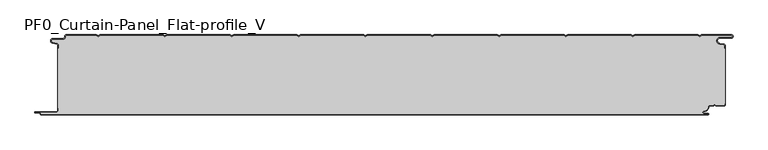
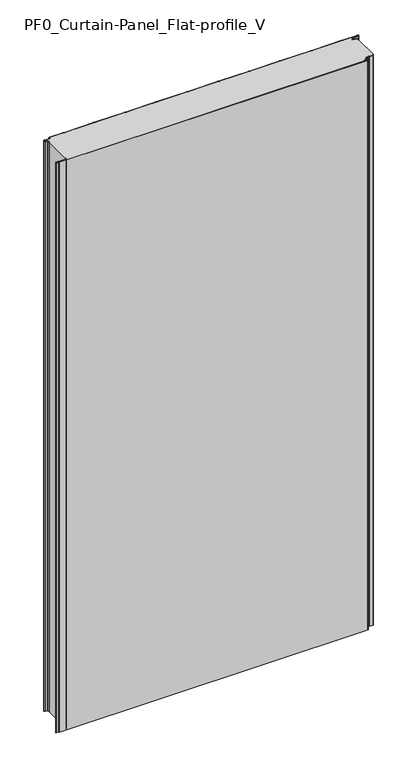
"""IFC4 building model written with IfcOpenShell, lengths in millimetres: plate geometry, PF0_Curtain-Panel_Flat-profile_V."""

from ifc_helpers import new_model, si_unit, point, frame, frame_2d, origin, origin_with_axes, place, context, project, spatial, polyline, circle_curve, trimmed, segment, composite_curve, outline, extrude, source, transform, mapped, element, save
from ifc_brep_helpers import plane_surface, cylinder_surface, revolved_surface, advanced_brep


def pf0_curtain_panel_flat_profile_v_fce7db05(model_context):
    return source(origin(), model_context, "Body", "SolidModel", [
        advanced_brep(
        [(-500.0, -15.878557, 1945.7507136), (-500.0, -20.0, 1945.7507136), (-499.2, -20.0, 1945.7507136), (-499.2, -15.878557, 1945.7507136), (-501.370137, -13.1503208, 1945.7507136), (-507.529863, -11.728236, 1945.7507136), (-506.9, -6.2, 1945.7507136), (-491.4, -6.2, 1945.7507136), (-488.6, -3.4, 1945.7507136), (-488.6, -2.0, 1945.7507136), (-487.4, -0.8, 1945.7507136), (-442.3143588, -0.8, 1945.7507136), (-439.4, -2.482606, 1945.7507136), (-436.4856412, -0.8, 1945.7507136), (-342.3143588, -0.8, 1945.7507136), (-339.4, -2.482606, 1945.7507136), (-336.4856412, -0.8, 1945.7507136), (-242.3143588, -0.8, 1945.7507136), (-239.4, -2.482606, 1945.7507136), (-236.4856412, -0.8, 1945.7507136), (-142.3143588, -0.8, 1945.7507136), (-139.4, -2.482606, 1945.7507136), (-136.4856412, -0.8, 1945.7507136), (-42.3143588, -0.8, 1945.7507136), (-39.4, -2.482606, 1945.7507136), (-36.4856412, -0.8, 1945.7507136), (57.6856412, -0.8, 1945.7507136), (60.6, -2.482606, 1945.7507136), (63.5143588, -0.8, 1945.7507136), (157.6856412, -0.8, 1945.7507136), (160.6, -2.482606, 1945.7507136), (163.5143588, -0.8, 1945.7507136), (257.6856412, -0.8, 1945.7507136), (260.6, -2.482606, 1945.7507136), (263.5143588, -0.8, 1945.7507136), (357.6856412, -0.8, 1945.7507136), (360.6, -2.482606, 1945.7507136), (363.5143588, -0.8, 1945.7507136), (457.6856412, -0.8, 1945.7507136), (460.6, -2.482606, 1945.7507136), (463.5143588, -0.8, 1945.7507136), (508.1, -0.8, 1945.7507136), (508.1, -4.2, 1945.7507136), (491.1, -4.2, 1945.7507136), (490.2664884, -13.7270771, 1945.7507136), (496.7125669, -14.8636953, 1945.7507136), (498.2, -16.6363492, 1945.7507136), (498.2, -20.0, 1945.7507136), (499.0, -20.0, 1945.7507136), (499.0, -16.6363492, 1945.7507136), (496.8514855, -14.0758491, 1945.7507136), (490.405407, -12.939231, 1945.7507136), (491.1, -5.0, 1945.7507136), (508.1, -5.0, 1945.7507136), (510.6, -2.5, 1945.7507136), (508.1, 0.0, 1945.7507136), (463.2999995, 0.0, 1945.7507136), (460.6, -1.5588455, 1945.7507136), (457.9000005, 0.0, 1945.7507136), (363.2999995, 0.0, 1945.7507136), (360.6, -1.5588455, 1945.7507136), (357.9000005, 0.0, 1945.7507136), (263.2999995, 0.0, 1945.7507136), (260.6, -1.5588455, 1945.7507136), (257.9000005, 0.0, 1945.7507136), (163.2999995, 0.0, 1945.7507136), (160.6, -1.5588455, 1945.7507136), (157.9000005, 0.0, 1945.7507136), (63.2999995, 0.0, 1945.7507136), (60.6, -1.5588455, 1945.7507136), (57.9000005, 0.0, 1945.7507136), (-36.7000005, 0.0, 1945.7507136), (-39.4, -1.5588455, 1945.7507136), (-42.0999995, 0.0, 1945.7507136), (-136.7000005, 0.0, 1945.7507136), (-139.4, -1.5588455, 1945.7507136), (-142.0999995, 0.0, 1945.7507136), (-236.7000005, 0.0, 1945.7507136), (-239.4, -1.5588455, 1945.7507136), (-242.0999995, 0.0, 1945.7507136), (-336.7000005, 0.0, 1945.7507136), (-339.4, -1.5588455, 1945.7507136), (-342.0999995, 0.0, 1945.7507136), (-436.7000005, 0.0, 1945.7507136), (-439.4, -1.5588455, 1945.7507136), (-442.0999995, 0.0, 1945.7507136), (-487.4, 0.0, 1945.7507136), (-489.4, -2.0, 1945.7507136), (-489.4, -3.4, 1945.7507136), (-491.4, -5.4, 1945.7507136), (-506.9, -5.4, 1945.7507136), (-507.7098239, -12.5077322, 1945.7507136), (-501.5500979, -13.929817, 1945.7507136), (-500.0, -15.878557, 0.0), (-501.5500978, -13.9298169, 0.0), (-507.7098239, -12.507732, 0.0), (-506.9, -5.4, 0.0), (-491.4, -5.4, 0.0), (-489.4, -3.4, 0.0), (-489.4, -2.0, 0.0), (-487.4, 0.0, 0.0), (-442.0999995, 0.0, 0.0), (-439.4, -1.5588455, 0.0), (-436.7000005, 0.0, 0.0), (-342.0999995, 0.0, 0.0), (-339.4, -1.5588455, 0.0), (-336.7000005, 0.0, 0.0), (-242.0999995, 0.0, 0.0), (-239.4, -1.5588455, 0.0), (-236.7000005, 0.0, 0.0), (-142.0999995, 0.0, 0.0), (-139.4, -1.5588455, 0.0), (-136.7000005, 0.0, 0.0), (-42.0999995, 0.0, 0.0), (-39.4, -1.5588455, 0.0), (-36.7000005, 0.0, 0.0), (57.9000005, 0.0, 0.0), (60.6, -1.5588455, 0.0), (63.2999995, 0.0, 0.0), (157.9000005, 0.0, 0.0), (160.6, -1.5588455, 0.0), (163.2999995, 0.0, 0.0), (257.9000005, 0.0, 0.0), (260.6, -1.5588455, 0.0), (263.2999995, 0.0, 0.0), (357.9000005, 0.0, 0.0), (360.6, -1.5588455, 0.0), (363.2999995, 0.0, 0.0), (457.9000005, 0.0, 0.0), (460.6, -1.5588455, 0.0), (463.2999995, 0.0, 0.0), (508.1, 0.0, 0.0), (510.6, -2.5, 0.0), (508.1, -5.0, 0.0), (491.1, -5.0, 0.0), (490.405407, -12.939231, 0.0), (496.8514855, -14.0758491, 0.0), (499.0, -16.6363492, 0.0), (499.0, -20.0, 0.0), (498.2, -20.0, 0.0), (498.2, -16.6363492, 0.0), (496.7125669, -14.8636953, 0.0), (490.2664884, -13.7270772, 0.0), (491.1, -4.2, 0.0), (508.1, -4.2, 0.0), (508.1, -0.8, 0.0), (463.5143588, -0.8, 0.0), (460.6, -2.482606, 0.0), (457.6856412, -0.8, 0.0), (363.5143588, -0.8, 0.0), (360.6, -2.482606, 0.0), (357.6856412, -0.8, 0.0), (263.5143588, -0.8, 0.0), (260.6, -2.482606, 0.0), (257.6856412, -0.8, 0.0), (163.5143588, -0.8, 0.0), (160.6, -2.482606, 0.0), (157.6856412, -0.8, 0.0), (63.5143588, -0.8, 0.0), (60.6, -2.482606, 0.0), (57.6856412, -0.8, 0.0), (-36.4856412, -0.8, 0.0), (-39.4, -2.482606, 0.0), (-42.3143588, -0.8, 0.0), (-136.4856412, -0.8, 0.0), (-139.4, -2.482606, 0.0), (-142.3143588, -0.8, 0.0), (-236.4856412, -0.8, 0.0), (-239.4, -2.482606, 0.0), (-242.3143588, -0.8, 0.0), (-336.4856412, -0.8, 0.0), (-339.4, -2.482606, 0.0), (-342.3143588, -0.8, 0.0), (-436.4856412, -0.8, 0.0), (-439.4, -2.482606, 0.0), (-442.3143588, -0.8, 0.0), (-487.4, -0.8, 0.0), (-488.6, -2.0, 0.0), (-488.6, -3.4, 0.0), (-491.4, -6.2, 0.0), (-506.9, -6.2, 0.0), (-507.529863, -11.7282362, 0.0), (-501.370137, -13.150321, 0.0), (-499.2, -15.878557, 0.0), (-499.2, -20.0, 0.0), (-500.0, -20.0, 0.0)],
        [
            (0, 1),
            (1, 2),
            (2, 3),
            (3, 4, circle_curve(frame((-502.0, -15.878557, 1945.7507136), z_axis=(0.0, 0.0, 1.0), x_axis=(1.0, 0.0, 0.0)), 2.8)),
            (4, 5),
            (5, 6, circle_curve(frame((-506.9, -9.0, 1945.7507136), z_axis=(0.0, 0.0, -1.0), x_axis=(1.0, 0.0, 0.0)), 2.8)),
            (6, 7),
            (7, 8, circle_curve(frame((-491.4, -3.4, 1945.7507136), z_axis=(0.0, 0.0, 1.0), x_axis=(1.0, 0.0, 0.0)), 2.8)),
            (8, 9),
            (9, 10, circle_curve(frame((-487.4, -2.0, 1945.7507136), z_axis=(0.0, 0.0, -1.0), x_axis=(1.0, 0.0, 0.0)), 1.2)),
            (10, 11),
            (11, 12),
            (12, 13),
            (13, 14),
            (14, 15),
            (15, 16),
            (16, 17),
            (17, 18),
            (18, 19),
            (19, 20),
            (20, 21),
            (21, 22),
            (22, 23),
            (23, 24),
            (24, 25),
            (25, 26),
            (26, 27),
            (27, 28),
            (28, 29),
            (29, 30),
            (30, 31),
            (31, 32),
            (32, 33),
            (33, 34),
            (34, 35),
            (35, 36),
            (36, 37),
            (37, 38),
            (38, 39),
            (39, 40),
            (40, 41),
            (41, 42, circle_curve(frame((508.1, -2.5, 1945.7507136), z_axis=(0.0, 0.0, -1.0), x_axis=(1.0, 0.0, 0.0)), 1.7)),
            (42, 43),
            (43, 44, circle_curve(frame((491.1, -9.0, 1945.7507136), z_axis=(0.0, 0.0, 1.0), x_axis=(1.0, 0.0, 0.0)), 4.8)),
            (44, 45),
            (45, 46, circle_curve(frame((496.4, -16.6363492, 1945.7507136), z_axis=(0.0, 0.0, -1.0), x_axis=(1.0, 0.0, 0.0)), 1.8)),
            (46, 47),
            (47, 48),
            (48, 49),
            (49, 50, circle_curve(frame((496.4, -16.6363492, 1945.7507136), z_axis=(0.0, 0.0, 1.0), x_axis=(1.0, 0.0, 0.0)), 2.6)),
            (50, 51),
            (51, 52, circle_curve(frame((491.1, -9.0, 1945.7507136), z_axis=(0.0, 0.0, -1.0), x_axis=(1.0, 0.0, 0.0)), 4.0)),
            (52, 53),
            (53, 54, circle_curve(frame((508.1, -2.5, 1945.7507136), z_axis=(0.0, 0.0, 1.0), x_axis=(1.0, 0.0, 0.0)), 2.5)),
            (54, 55, circle_curve(frame((508.1, -2.5, 1945.7507136), z_axis=(0.0, 0.0, 1.0), x_axis=(1.0, 0.0, 0.0)), 2.5)),
            (55, 56),
            (56, 57),
            (57, 58),
            (58, 59),
            (59, 60),
            (60, 61),
            (61, 62),
            (62, 63),
            (63, 64),
            (64, 65),
            (65, 66),
            (66, 67),
            (67, 68),
            (68, 69),
            (69, 70),
            (70, 71),
            (71, 72),
            (72, 73),
            (73, 74),
            (74, 75),
            (75, 76),
            (76, 77),
            (77, 78),
            (78, 79),
            (79, 80),
            (80, 81),
            (81, 82),
            (82, 83),
            (83, 84),
            (84, 85),
            (85, 86),
            (86, 87, circle_curve(frame((-487.4, -2.0, 1945.7507136), z_axis=(0.0, 0.0, 1.0), x_axis=(1.0, 0.0, 0.0)), 2.0)),
            (87, 88),
            (88, 89, circle_curve(frame((-491.4, -3.4, 1945.7507136), z_axis=(0.0, 0.0, -1.0), x_axis=(1.0, 0.0, 0.0)), 2.0)),
            (89, 90),
            (90, 91, circle_curve(frame((-506.9, -9.0, 1945.7507136), z_axis=(0.0, 0.0, 1.0), x_axis=(1.0, 0.0, 0.0)), 3.6)),
            (91, 92),
            (92, 0, circle_curve(frame((-502.0, -15.878557, 1945.7507136), z_axis=(0.0, 0.0, -1.0), x_axis=(1.0, 0.0, 0.0)), 2.0)),
            (93, 94, circle_curve(frame((-502.0, -15.878557, 0.0), z_axis=(0.0, 0.0, 1.0), x_axis=(1.0, 0.0, 0.0)), 2.0)),
            (94, 95),
            (95, 96, circle_curve(frame((-506.9, -9.0, 0.0), z_axis=(0.0, 0.0, -1.0), x_axis=(1.0, 0.0, 0.0)), 3.6)),
            (96, 97),
            (97, 98, circle_curve(frame((-491.4, -3.4, 0.0), z_axis=(0.0, 0.0, 1.0), x_axis=(1.0, 0.0, 0.0)), 2.0)),
            (98, 99),
            (99, 100, circle_curve(frame((-487.4, -2.0, 0.0), z_axis=(0.0, 0.0, -1.0), x_axis=(1.0, 0.0, 0.0)), 2.0)),
            (100, 101),
            (101, 102),
            (102, 103),
            (103, 104),
            (104, 105),
            (105, 106),
            (106, 107),
            (107, 108),
            (108, 109),
            (109, 110),
            (110, 111),
            (111, 112),
            (112, 113),
            (113, 114),
            (114, 115),
            (115, 116),
            (116, 117),
            (117, 118),
            (118, 119),
            (119, 120),
            (120, 121),
            (121, 122),
            (122, 123),
            (123, 124),
            (124, 125),
            (125, 126),
            (126, 127),
            (127, 128),
            (128, 129),
            (129, 130),
            (130, 131),
            (131, 132, circle_curve(frame((508.1, -2.5, 0.0), z_axis=(0.0, 0.0, -1.0), x_axis=(1.0, 0.0, 0.0)), 2.5)),
            (132, 133, circle_curve(frame((508.1, -2.5, 0.0), z_axis=(0.0, 0.0, -1.0), x_axis=(1.0, 0.0, 0.0)), 2.5)),
            (133, 134),
            (134, 135, circle_curve(frame((491.1, -9.0, 0.0), z_axis=(0.0, 0.0, 1.0), x_axis=(1.0, 0.0, 0.0)), 4.0)),
            (135, 136),
            (136, 137, circle_curve(frame((496.4, -16.6363492, 0.0), z_axis=(0.0, 0.0, -1.0), x_axis=(1.0, 0.0, 0.0)), 2.6)),
            (137, 138),
            (138, 139),
            (139, 140),
            (140, 141, circle_curve(frame((496.4, -16.6363492, 0.0), z_axis=(0.0, 0.0, 1.0), x_axis=(1.0, 0.0, 0.0)), 1.8)),
            (141, 142),
            (142, 143, circle_curve(frame((491.1, -9.0, 0.0), z_axis=(0.0, 0.0, -1.0), x_axis=(1.0, 0.0, 0.0)), 4.8)),
            (143, 144),
            (144, 145, circle_curve(frame((508.1, -2.5, 0.0), z_axis=(0.0, 0.0, 1.0), x_axis=(1.0, 0.0, 0.0)), 1.7)),
            (145, 146),
            (146, 147),
            (147, 148),
            (148, 149),
            (149, 150),
            (150, 151),
            (151, 152),
            (152, 153),
            (153, 154),
            (154, 155),
            (155, 156),
            (156, 157),
            (157, 158),
            (158, 159),
            (159, 160),
            (160, 161),
            (161, 162),
            (162, 163),
            (163, 164),
            (164, 165),
            (165, 166),
            (166, 167),
            (167, 168),
            (168, 169),
            (169, 170),
            (170, 171),
            (171, 172),
            (172, 173),
            (173, 174),
            (174, 175),
            (175, 176),
            (176, 177, circle_curve(frame((-487.4, -2.0, 0.0), z_axis=(0.0, 0.0, 1.0), x_axis=(1.0, 0.0, 0.0)), 1.2)),
            (177, 178),
            (178, 179, circle_curve(frame((-491.4, -3.4, 0.0), z_axis=(0.0, 0.0, -1.0), x_axis=(1.0, 0.0, 0.0)), 2.8)),
            (179, 180),
            (180, 181, circle_curve(frame((-506.9, -9.0, 0.0), z_axis=(0.0, 0.0, 1.0), x_axis=(1.0, 0.0, 0.0)), 2.8)),
            (181, 182),
            (182, 183, circle_curve(frame((-502.0, -15.878557, 0.0), z_axis=(0.0, 0.0, -1.0), x_axis=(1.0, 0.0, 0.0)), 2.8)),
            (183, 184),
            (184, 185),
            (185, 93),
            (0, 93),
            (185, 1),
            (184, 2),
            (183, 3),
            (182, 4),
            (181, 5),
            (180, 6),
            (179, 7),
            (178, 8),
            (177, 9),
            (176, 10),
            (175, 11),
            (174, 12),
            (173, 13),
            (172, 14),
            (171, 15),
            (170, 16),
            (169, 17),
            (168, 18),
            (167, 19),
            (166, 20),
            (165, 21),
            (164, 22),
            (163, 23),
            (162, 24),
            (161, 25),
            (160, 26),
            (159, 27),
            (158, 28),
            (157, 29),
            (156, 30),
            (155, 31),
            (154, 32),
            (153, 33),
            (152, 34),
            (151, 35),
            (150, 36),
            (149, 37),
            (148, 38),
            (147, 39),
            (146, 40),
            (145, 41),
            (144, 42),
            (143, 43),
            (142, 44),
            (141, 45),
            (140, 46),
            (139, 47),
            (138, 48),
            (137, 49),
            (136, 50),
            (135, 51),
            (134, 52),
            (133, 53),
            (131, 55),
            (56, 130),
            (129, 57),
            (128, 58),
            (127, 59),
            (126, 60),
            (125, 61),
            (124, 62),
            (123, 63),
            (122, 64),
            (121, 65),
            (120, 66),
            (119, 67),
            (118, 68),
            (117, 69),
            (116, 70),
            (115, 71),
            (114, 72),
            (113, 73),
            (112, 74),
            (111, 75),
            (110, 76),
            (109, 77),
            (108, 78),
            (107, 79),
            (106, 80),
            (105, 81),
            (104, 82),
            (103, 83),
            (102, 84),
            (101, 85),
            (100, 86),
            (99, 87),
            (98, 88),
            (97, 89),
            (96, 90),
            (95, 91),
            (94, 92),
        ],
        [
            plane_surface(frame((-500.0, 0.0, 1945.7507136), z_axis=(0.0, 0.0, 1.0), x_axis=(0.0, 1.0, 0.0))),
            plane_surface(frame((-500.0, 0.0, 0.0), z_axis=(0.0, 0.0, -1.0), x_axis=(0.0, 1.0, 0.0))),
            plane_surface(frame((-500.0, -15.878557, 1945.7507136), z_axis=(-1.0, 0.0, 0.0), x_axis=(0.0, 0.0, -1.0))),
            plane_surface(frame((-500.0, -20.0, 1945.7507136), z_axis=(0.0, -1.0, 0.0), x_axis=(0.0, 0.0, -1.0))),
            plane_surface(frame((-499.2, -20.0, 1945.7507136), z_axis=(1.0, 0.0, 0.0), x_axis=(0.0, 0.0, -1.0))),
            cylinder_surface(frame((-502.0, -15.878557, 1945.7507136), z_axis=(0.0, 0.0, 1.0), x_axis=(1.0, 0.0, 0.0)), 2.8),
            plane_surface(frame((-501.370137, -13.150321, 1945.7507136), z_axis=(0.22495108446242484, 0.9743700578318174, 0.0), x_axis=(0.0, 0.0, -1.0))),
            revolved_surface(polyline([(-504.09999999999997, -9.0, 0.0), (-504.09999999999997, -9.0, 1945.7507136)]), (-506.9, -9.0, 1945.7507136), (0.0, 0.0, -1.0)),
            plane_surface(frame((-506.9, -6.2, 1945.7507136), z_axis=(0.0, -1.0, 0.0), x_axis=(0.0, 0.0, -1.0))),
            cylinder_surface(frame((-491.4, -3.4, 1945.7507136), z_axis=(0.0, 0.0, 1.0), x_axis=(1.0, 0.0, 0.0)), 2.8),
            plane_surface(frame((-488.6, -3.4, 1945.7507136), z_axis=(1.0, 0.0, 0.0), x_axis=(0.0, 0.0, -1.0))),
            revolved_surface(polyline([(-486.2, -2.0, 0.0), (-486.2, -2.0, 1945.7507136)]), (-487.4, -2.0, 1945.7507136), (0.0, 0.0, -1.0)),
            plane_surface(frame((-487.4, -0.8, 1945.7507136), z_axis=(0.0, -1.0, 0.0), x_axis=(0.0, 0.0, -1.0))),
            plane_surface(frame((-442.3143588, -0.8, 1945.7507136), z_axis=(-0.5000000299313342, -0.8660253865035741, 0.0), x_axis=(0.0, 0.0, -1.0))),
            plane_surface(frame((-439.4, -2.482606, 1945.7507136), z_axis=(0.5000000299313233, -0.8660253865035805, 0.0), x_axis=(0.0, 0.0, -1.0))),
            plane_surface(frame((-436.4856412, -0.8, 1945.7507136), z_axis=(0.0, -1.0, 0.0), x_axis=(0.0, 0.0, -1.0))),
            plane_surface(frame((-342.3143588, -0.8, 1945.7507136), z_axis=(-0.5000000299313346, -0.8660253865035739, 0.0), x_axis=(0.0, 0.0, -1.0))),
            plane_surface(frame((-339.4, -2.482606, 1945.7507136), z_axis=(0.5000000299313251, -0.8660253865035794, 0.0), x_axis=(0.0, 0.0, -1.0))),
            plane_surface(frame((-336.4856412, -0.8, 1945.7507136), z_axis=(0.0, -1.0, 0.0), x_axis=(0.0, 0.0, -1.0))),
            plane_surface(frame((-242.3143588, -0.8, 1945.7507136), z_axis=(-0.5000000299313346, -0.866025386503574, 0.0), x_axis=(0.0, 0.0, -1.0))),
            plane_surface(frame((-239.4, -2.482606, 1945.7507136), z_axis=(0.5000000299313251, -0.8660253865035794, 0.0), x_axis=(0.0, 0.0, -1.0))),
            plane_surface(frame((-236.4856412, -0.8, 1945.7507136), z_axis=(0.0, -1.0, 0.0), x_axis=(0.0, 0.0, -1.0))),
            plane_surface(frame((-142.3143588, -0.8, 1945.7507136), z_axis=(-0.5000000299313349, -0.8660253865035739, 0.0), x_axis=(0.0, 0.0, -1.0))),
            plane_surface(frame((-139.4, -2.482606, 1945.7507136), z_axis=(0.5000000299313233, -0.8660253865035805, 0.0), x_axis=(0.0, 0.0, -1.0))),
            plane_surface(frame((-136.4856412, -0.8, 1945.7507136), z_axis=(0.0, -1.0, 0.0), x_axis=(0.0, 0.0, -1.0))),
            plane_surface(frame((-42.3143588, -0.8, 1945.7507136), z_axis=(-0.5000000299313346, -0.866025386503574, 0.0), x_axis=(0.0, 0.0, -1.0))),
            plane_surface(frame((-39.4, -2.482606, 1945.7507136), z_axis=(0.5000000299313239, -0.8660253865035802, 0.0), x_axis=(0.0, 0.0, -1.0))),
            plane_surface(frame((-36.4856412, -0.8, 1945.7507136), z_axis=(0.0, -1.0, 0.0), x_axis=(0.0, 0.0, -1.0))),
            plane_surface(frame((57.6856412, -0.8, 1945.7507136), z_axis=(-0.5000000299313347, -0.8660253865035739, 0.0), x_axis=(0.0, 0.0, -1.0))),
            plane_surface(frame((60.6, -2.482606, 1945.7507136), z_axis=(0.5000000299313232, -0.8660253865035805, 0.0), x_axis=(0.0, 0.0, -1.0))),
            plane_surface(frame((63.5143588, -0.8, 1945.7507136), z_axis=(0.0, -1.0, 0.0), x_axis=(0.0, 0.0, -1.0))),
            plane_surface(frame((157.6856412, -0.8, 1945.7507136), z_axis=(-0.5000000299313346, -0.866025386503574, 0.0), x_axis=(0.0, 0.0, -1.0))),
            plane_surface(frame((160.6, -2.482606, 1945.7507136), z_axis=(0.5000000299313262, -0.8660253865035787, 0.0), x_axis=(0.0, 0.0, -1.0))),
            plane_surface(frame((163.5143588, -0.8, 1945.7507136), z_axis=(0.0, -1.0, 0.0), x_axis=(0.0, 0.0, -1.0))),
            plane_surface(frame((257.6856412, -0.8, 1945.7507136), z_axis=(-0.5000000299313346, -0.8660253865035739, 0.0), x_axis=(0.0, 0.0, -1.0))),
            plane_surface(frame((260.6, -2.482606, 1945.7507136), z_axis=(0.5000000299313263, -0.8660253865035787, 0.0), x_axis=(0.0, 0.0, -1.0))),
            plane_surface(frame((263.5143588, -0.8, 1945.7507136), z_axis=(0.0, -1.0, 0.0), x_axis=(0.0, 0.0, -1.0))),
            plane_surface(frame((357.6856412, -0.8, 1945.7507136), z_axis=(-0.5000000299313346, -0.8660253865035739, 0.0), x_axis=(0.0, 0.0, -1.0))),
            plane_surface(frame((360.6, -2.482606, 1945.7507136), z_axis=(0.5000000299313255, -0.8660253865035792, 0.0), x_axis=(0.0, 0.0, -1.0))),
            plane_surface(frame((363.5143588, -0.8, 1945.7507136), z_axis=(0.0, -1.0, 0.0), x_axis=(0.0, 0.0, -1.0))),
            plane_surface(frame((457.6856412, -0.8, 1945.7507136), z_axis=(-0.5000000299313347, -0.8660253865035739, 0.0), x_axis=(0.0, 0.0, -1.0))),
            plane_surface(frame((460.6, -2.482606, 1945.7507136), z_axis=(0.5000000299313263, -0.8660253865035787, 0.0), x_axis=(0.0, 0.0, -1.0))),
            plane_surface(frame((463.5143588, -0.8, 1945.7507136), z_axis=(0.0, -1.0, 0.0), x_axis=(0.0, 0.0, -1.0))),
            revolved_surface(polyline([(509.8, -2.5, 0.0), (509.8, -2.5, 1945.7507136)]), (508.1, -2.5, 1945.7507136), (0.0, 0.0, -1.0)),
            plane_surface(frame((508.1, -4.2, 1945.7507136), z_axis=(0.0, 1.0, 0.0), x_axis=(0.0, 0.0, -1.0))),
            cylinder_surface(frame((491.1, -9.0, 1945.7507136), z_axis=(0.0, 0.0, 1.0), x_axis=(1.0, 0.0, 0.0)), 4.8),
            plane_surface(frame((490.2664884, -13.7270772, 1945.7507136), z_axis=(-0.17364825602592485, -0.9848077391954, 0.0), x_axis=(0.0, 0.0, -1.0))),
            revolved_surface(polyline([(498.2, -16.6363492, 0.0), (498.2, -16.6363492, 1945.7507136)]), (496.4, -16.6363492, 1945.7507136), (0.0, 0.0, -1.0)),
            plane_surface(frame((498.2, -16.6363492, 1945.7507136), z_axis=(-1.0, 0.0, 0.0), x_axis=(0.0, 0.0, -1.0))),
            plane_surface(frame((498.2, -20.0, 1945.7507136), z_axis=(0.0, -1.0, 0.0), x_axis=(0.0, 0.0, -1.0))),
            plane_surface(frame((499.0, -20.0, 1945.7507136), z_axis=(1.0, 0.0, 0.0), x_axis=(0.0, 0.0, -1.0))),
            cylinder_surface(frame((496.4, -16.6363492, 1945.7507136), z_axis=(0.0, 0.0, 1.0), x_axis=(1.0, 0.0, 0.0)), 2.6),
            plane_surface(frame((496.8514855, -14.0758491, 1945.7507136), z_axis=(0.1736482560259256, 0.9848077391953998, 0.0), x_axis=(0.0, 0.0, -1.0))),
            revolved_surface(polyline([(495.1, -9.0, 0.0), (495.1, -9.0, 1945.7507136)]), (491.1, -9.0, 1945.7507136), (0.0, 0.0, -1.0)),
            plane_surface(frame((491.1, -5.0, 1945.7507136), z_axis=(0.0, -1.0, 0.0), x_axis=(0.0, 0.0, -1.0))),
            cylinder_surface(frame((508.1, -2.5, 1945.7507136), z_axis=(0.0, 0.0, 1.0), x_axis=(1.0, 0.0, 0.0)), 2.5),
            plane_surface(frame((463.2999995, 0.0, 1945.7507136), z_axis=(-0.5000000299313235, 0.8660253865035803, 0.0), x_axis=(0.0, 0.0, -1.0))),
            plane_surface(frame((460.6, -1.5588455, 1945.7507136), z_axis=(0.5000000299313346, 0.8660253865035739, 0.0), x_axis=(0.0, 0.0, -1.0))),
            plane_surface(frame((457.9000005, 0.0, 1945.7507136), z_axis=(0.0, 1.0, 0.0), x_axis=(0.0, 0.0, -1.0))),
            plane_surface(frame((363.2999995, 0.0, 1945.7507136), z_axis=(-0.5000000299313235, 0.8660253865035803, 0.0), x_axis=(0.0, 0.0, -1.0))),
            plane_surface(frame((360.6, -1.5588455, 1945.7507136), z_axis=(0.5000000299313346, 0.8660253865035739, 0.0), x_axis=(0.0, 0.0, -1.0))),
            plane_surface(frame((357.9000005, 0.0, 1945.7507136), z_axis=(0.0, 1.0, 0.0), x_axis=(0.0, 0.0, -1.0))),
            plane_surface(frame((263.2999995, 0.0, 1945.7507136), z_axis=(-0.5000000299313235, 0.8660253865035803, 0.0), x_axis=(0.0, 0.0, -1.0))),
            plane_surface(frame((260.6, -1.5588455, 1945.7507136), z_axis=(0.5000000299313346, 0.8660253865035739, 0.0), x_axis=(0.0, 0.0, -1.0))),
            plane_surface(frame((257.9000005, 0.0, 1945.7507136), z_axis=(0.0, 1.0, 0.0), x_axis=(0.0, 0.0, -1.0))),
            plane_surface(frame((163.2999995, 0.0, 1945.7507136), z_axis=(-0.5000000299313235, 0.8660253865035803, 0.0), x_axis=(0.0, 0.0, -1.0))),
            plane_surface(frame((160.6, -1.5588455, 1945.7507136), z_axis=(0.5000000299313346, 0.8660253865035739, 0.0), x_axis=(0.0, 0.0, -1.0))),
            plane_surface(frame((157.9000005, 0.0, 1945.7507136), z_axis=(0.0, 1.0, 0.0), x_axis=(0.0, 0.0, -1.0))),
            plane_surface(frame((63.2999995, 0.0, 1945.7507136), z_axis=(-0.5000000299313235, 0.8660253865035803, 0.0), x_axis=(0.0, 0.0, -1.0))),
            plane_surface(frame((60.6, -1.5588455, 1945.7507136), z_axis=(0.5000000299313346, 0.8660253865035739, 0.0), x_axis=(0.0, 0.0, -1.0))),
            plane_surface(frame((57.9000005, 0.0, 1945.7507136), z_axis=(0.0, 1.0, 0.0), x_axis=(0.0, 0.0, -1.0))),
            plane_surface(frame((-36.7000005, 0.0, 1945.7507136), z_axis=(-0.5000000299313235, 0.8660253865035803, 0.0), x_axis=(0.0, 0.0, -1.0))),
            plane_surface(frame((-39.4, -1.5588455, 1945.7507136), z_axis=(0.5000000299313346, 0.8660253865035739, 0.0), x_axis=(0.0, 0.0, -1.0))),
            plane_surface(frame((-42.0999995, 0.0, 1945.7507136), z_axis=(0.0, 1.0, 0.0), x_axis=(0.0, 0.0, -1.0))),
            plane_surface(frame((-136.7000005, 0.0, 1945.7507136), z_axis=(-0.5000000299313235, 0.8660253865035803, 0.0), x_axis=(0.0, 0.0, -1.0))),
            plane_surface(frame((-139.4, -1.5588455, 1945.7507136), z_axis=(0.5000000299313346, 0.8660253865035739, 0.0), x_axis=(0.0, 0.0, -1.0))),
            plane_surface(frame((-142.0999995, 0.0, 1945.7507136), z_axis=(0.0, 1.0, 0.0), x_axis=(0.0, 0.0, -1.0))),
            plane_surface(frame((-236.7000005, 0.0, 1945.7507136), z_axis=(-0.5000000299313235, 0.8660253865035803, 0.0), x_axis=(0.0, 0.0, -1.0))),
            plane_surface(frame((-239.4, -1.5588455, 1945.7507136), z_axis=(0.5000000299313346, 0.8660253865035739, 0.0), x_axis=(0.0, 0.0, -1.0))),
            plane_surface(frame((-242.0999995, 0.0, 1945.7507136), z_axis=(0.0, 1.0, 0.0), x_axis=(0.0, 0.0, -1.0))),
            plane_surface(frame((-336.7000005, 0.0, 1945.7507136), z_axis=(-0.5000000299313235, 0.8660253865035803, 0.0), x_axis=(0.0, 0.0, -1.0))),
            plane_surface(frame((-339.4, -1.5588455, 1945.7507136), z_axis=(0.5000000299313346, 0.8660253865035739, 0.0), x_axis=(0.0, 0.0, -1.0))),
            plane_surface(frame((-342.0999995, 0.0, 1945.7507136), z_axis=(0.0, 1.0, 0.0), x_axis=(0.0, 0.0, -1.0))),
            plane_surface(frame((-436.7000005, 0.0, 1945.7507136), z_axis=(-0.5000000299313235, 0.8660253865035803, 0.0), x_axis=(0.0, 0.0, -1.0))),
            plane_surface(frame((-439.4, -1.5588455, 1945.7507136), z_axis=(0.5000000299313346, 0.8660253865035739, 0.0), x_axis=(0.0, 0.0, -1.0))),
            plane_surface(frame((-442.0999995, 0.0, 1945.7507136), z_axis=(0.0, 1.0, 0.0), x_axis=(0.0, 0.0, -1.0))),
            cylinder_surface(frame((-487.4, -2.0, 1945.7507136), z_axis=(0.0, 0.0, 1.0), x_axis=(1.0, 0.0, 0.0)), 2.0),
            plane_surface(frame((-489.4, -2.0, 1945.7507136), z_axis=(-1.0, 0.0, 0.0), x_axis=(0.0, 0.0, -1.0))),
            revolved_surface(polyline([(-489.4, -3.4, 0.0), (-489.4, -3.4, 1945.7507136)]), (-491.4, -3.4, 1945.7507136), (0.0, 0.0, -1.0)),
            plane_surface(frame((-491.4, -5.4, 1945.7507136), z_axis=(0.0, 1.0, 0.0), x_axis=(0.0, 0.0, -1.0))),
            cylinder_surface(frame((-506.9, -9.0, 1945.7507136), z_axis=(0.0, 0.0, 1.0), x_axis=(1.0, 0.0, 0.0)), 3.6),
            plane_surface(frame((-507.7098239, -12.507732, 1945.7507136), z_axis=(-0.22495108446242487, -0.9743700578318174, 0.0), x_axis=(0.0, 0.0, -1.0))),
            revolved_surface(polyline([(-500.0, -15.878557, 0.0), (-500.0, -15.878557, 1945.7507136)]), (-502.0, -15.878557, 1945.7507136), (0.0, 0.0, -1.0)),
            plane_surface(frame((508.1, 0.0, 1945.7507136), z_axis=(0.0, 1.0, 0.0), x_axis=(0.0, 0.0, -1.0))),
        ],
        [
            (0, [[1, 2, 3, 4, 5, 6, 7, 8, 9, 10, 11, 12, 13, 14, 15, 16, 17, 18, 19, 20, 21, 22, 23, 24, 25, 26, 27, 28, 29, 30, 31, 32, 33, 34, 35, 36, 37, 38, 39, 40, 41, 42, 43, 44, 45, 46, 47, 48, 49, 50, 51, 52, 53, 54, 55, 56, 57, 58, 59, 60, 61, 62, 63, 64, 65, 66, 67, 68, 69, 70, 71, 72, 73, 74, 75, 76, 77, 78, 79, 80, 81, 82, 83, 84, 85, 86, 87, 88, 89, 90, 91, 92, 93]]),
            (1, [[94, 95, 96, 97, 98, 99, 100, 101, 102, 103, 104, 105, 106, 107, 108, 109, 110, 111, 112, 113, 114, 115, 116, 117, 118, 119, 120, 121, 122, 123, 124, 125, 126, 127, 128, 129, 130, 131, 132, 133, 134, 135, 136, 137, 138, 139, 140, 141, 142, 143, 144, 145, 146, 147, 148, 149, 150, 151, 152, 153, 154, 155, 156, 157, 158, 159, 160, 161, 162, 163, 164, 165, 166, 167, 168, 169, 170, 171, 172, 173, 174, 175, 176, 177, 178, 179, 180, 181, 182, 183, 184, 185, 186]]),
            (2, [[-1, 187, -186, 188]]),
            (3, [[-2, -188, -185, 189]]),
            (4, [[-3, -189, -184, 190]]),
            (5, [[-4, -190, -183, 191]]),
            (6, [[-5, -191, -182, 192]]),
            (7, [[-6, -192, -181, 193]]),
            (8, [[-7, -193, -180, 194]]),
            (9, [[-8, -194, -179, 195]]),
            (10, [[-9, -195, -178, 196]]),
            (11, [[-10, -196, -177, 197]]),
            (12, [[-11, -197, -176, 198]]),
            (13, [[-12, -198, -175, 199]]),
            (14, [[-13, -199, -174, 200]]),
            (15, [[-14, -200, -173, 201]]),
            (16, [[-15, -201, -172, 202]]),
            (17, [[-16, -202, -171, 203]]),
            (18, [[-17, -203, -170, 204]]),
            (19, [[-18, -204, -169, 205]]),
            (20, [[-19, -205, -168, 206]]),
            (21, [[-20, -206, -167, 207]]),
            (22, [[-21, -207, -166, 208]]),
            (23, [[-22, -208, -165, 209]]),
            (24, [[-23, -209, -164, 210]]),
            (25, [[-24, -210, -163, 211]]),
            (26, [[-25, -211, -162, 212]]),
            (27, [[-26, -212, -161, 213]]),
            (28, [[-27, -213, -160, 214]]),
            (29, [[-28, -214, -159, 215]]),
            (30, [[-29, -215, -158, 216]]),
            (31, [[-30, -216, -157, 217]]),
            (32, [[-31, -217, -156, 218]]),
            (33, [[-32, -218, -155, 219]]),
            (34, [[-33, -219, -154, 220]]),
            (35, [[-34, -220, -153, 221]]),
            (36, [[-35, -221, -152, 222]]),
            (37, [[-36, -222, -151, 223]]),
            (38, [[-37, -223, -150, 224]]),
            (39, [[-38, -224, -149, 225]]),
            (40, [[-39, -225, -148, 226]]),
            (41, [[-40, -226, -147, 227]]),
            (42, [[-41, -227, -146, 228]]),
            (43, [[-42, -228, -145, 229]]),
            (44, [[-43, -229, -144, 230]]),
            (45, [[-44, -230, -143, 231]]),
            (46, [[-45, -231, -142, 232]]),
            (47, [[-46, -232, -141, 233]]),
            (48, [[-47, -233, -140, 234]]),
            (49, [[-48, -234, -139, 235]]),
            (50, [[-49, -235, -138, 236]]),
            (51, [[-50, -236, -137, 237]]),
            (52, [[-51, -237, -136, 238]]),
            (53, [[-52, -238, -135, 239]]),
            (54, [[-53, -239, -134, 240]]),
            (55, [[-240, -133, -132, 241, -55, -54]]),
            (56, [[-57, 242, -130, 243]]),
            (57, [[-58, -243, -129, 244]]),
            (58, [[-59, -244, -128, 245]]),
            (59, [[-60, -245, -127, 246]]),
            (60, [[-61, -246, -126, 247]]),
            (61, [[-62, -247, -125, 248]]),
            (62, [[-63, -248, -124, 249]]),
            (63, [[-64, -249, -123, 250]]),
            (64, [[-65, -250, -122, 251]]),
            (65, [[-66, -251, -121, 252]]),
            (66, [[-67, -252, -120, 253]]),
            (67, [[-68, -253, -119, 254]]),
            (68, [[-69, -254, -118, 255]]),
            (69, [[-70, -255, -117, 256]]),
            (70, [[-71, -256, -116, 257]]),
            (71, [[-72, -257, -115, 258]]),
            (72, [[-73, -258, -114, 259]]),
            (73, [[-74, -259, -113, 260]]),
            (74, [[-75, -260, -112, 261]]),
            (75, [[-76, -261, -111, 262]]),
            (76, [[-77, -262, -110, 263]]),
            (77, [[-78, -263, -109, 264]]),
            (78, [[-79, -264, -108, 265]]),
            (79, [[-80, -265, -107, 266]]),
            (80, [[-81, -266, -106, 267]]),
            (81, [[-82, -267, -105, 268]]),
            (82, [[-83, -268, -104, 269]]),
            (83, [[-84, -269, -103, 270]]),
            (84, [[-85, -270, -102, 271]]),
            (85, [[-86, -271, -101, 272]]),
            (86, [[-87, -272, -100, 273]]),
            (87, [[-88, -273, -99, 274]]),
            (88, [[-89, -274, -98, 275]]),
            (89, [[-90, -275, -97, 276]]),
            (90, [[-91, -276, -96, 277]]),
            (91, [[-92, -277, -95, 278]]),
            (92, [[-93, -278, -94, -187]]),
            (93, [[-56, -241, -131, -242]]),
        ],
    ),
        extrude(outline(composite_curve([segment(polyline([(-499.2, -110.0), (-500.0, -110.0), (-500.0, -20.0), (-499.2, -20.0), (-499.2, -15.878557)]), True, "CONTINUOUS"), segment(trimmed(circle_curve(frame_2d((-502.0, -15.878557)), 2.8), [point((-499.2, -15.878557))], [point((-501.370137, -13.1503208))], True, "CARTESIAN"), True, "CONTINUOUS"), segment(polyline([(-501.370137, -13.1503208), (-507.529863, -11.7282362)]), True, "CONTINUOUS"), segment(trimmed(circle_curve(frame_2d((-506.9, -9.0)), 2.8), [point((-507.529863, -11.7282362))], [point((-506.9, -6.2))], False, "CARTESIAN"), True, "CONTINUOUS"), segment(polyline([(-506.9, -6.2), (-491.4, -6.2)]), True, "CONTINUOUS"), segment(trimmed(circle_curve(frame_2d((-491.4, -3.4)), 2.8), [point((-491.4, -6.2))], [point((-488.6, -3.4))], True, "CARTESIAN"), True, "CONTINUOUS"), segment(polyline([(-488.6, -3.4), (-488.6, -2.0)]), True, "CONTINUOUS"), segment(trimmed(circle_curve(frame_2d((-487.4, -2.0)), 1.2), [point((-488.6, -2.0))], [point((-487.4, -0.8))], False, "CARTESIAN"), True, "CONTINUOUS"), segment(polyline([(-487.4, -0.8), (-442.3143588, -0.8), (-439.4, -2.482606), (-436.4856412, -0.8), (-342.3143588, -0.8), (-339.4, -2.482606), (-336.4856412, -0.8), (-242.3143588, -0.8), (-239.4, -2.482606), (-236.4856412, -0.8), (-142.3143588, -0.8), (-139.4, -2.482606), (-136.4856412, -0.8), (-42.3143588, -0.8), (-39.4, -2.482606), (-36.4856412, -0.8), (57.6856412, -0.8), (60.6, -2.482606), (63.5143588, -0.8), (157.6856412, -0.8), (160.6, -2.482606), (163.5143588, -0.8), (257.6856412, -0.8), (260.6, -2.482606), (263.5143588, -0.8), (357.6856412, -0.8), (360.6, -2.482606), (363.5143588, -0.8), (457.6856412, -0.8), (460.6, -2.482606), (463.5143588, -0.8), (508.1, -0.8)]), True, "CONTINUOUS"), segment(trimmed(circle_curve(frame_2d((508.1, -2.5)), 1.7), [point((508.1, -0.8))], [point((508.1, -4.2))], False, "CARTESIAN"), True, "CONTINUOUS"), segment(polyline([(508.1, -4.2), (491.1, -4.2)]), True, "CONTINUOUS"), segment(trimmed(circle_curve(frame_2d((491.1, -9.0)), 4.8), [point((491.1, -4.2))], [point((490.2664884, -13.7270772))], True, "CARTESIAN"), True, "CONTINUOUS"), segment(polyline([(490.2664884, -13.7270772), (496.7125669, -14.8636953)]), True, "CONTINUOUS"), segment(trimmed(circle_curve(frame_2d((496.4, -16.6363492)), 1.8), [point((496.7125669, -14.8636953))], [point((498.2, -16.6363492))], False, "CARTESIAN"), True, "CONTINUOUS"), segment(polyline([(498.2, -16.6363492), (498.2, -20.0), (499.0, -20.0), (499.0, -103.0), (498.2, -103.0), (498.2, -104.4)]), True, "CONTINUOUS"), segment(trimmed(circle_curve(frame_2d((496.4, -104.4)), 1.8), [point((498.2, -104.4))], [point((496.4, -106.2))], False, "CARTESIAN"), True, "CONTINUOUS"), segment(polyline([(496.4, -106.2), (484.8313698, -106.2), (483.0, -104.3686285), (481.1686302, -106.2), (475.0, -106.2)]), True, "CONTINUOUS"), segment(trimmed(circle_curve(frame_2d((475.0, -108.0)), 1.8), [point((475.0, -106.2))], [point((473.2, -108.0))], True, "CARTESIAN"), True, "CONTINUOUS"), segment(polyline([(473.2, -108.0), (473.2, -108.8276204)]), True, "CONTINUOUS"), segment(trimmed(circle_curve(frame_2d((467.8276204, -108.8276204)), 5.3723796), [point((473.2, -108.8276204))], [point((467.8276204, -114.2))], False, "CARTESIAN"), True, "CONTINUOUS"), segment(polyline([(467.8276204, -114.2), (467.0, -114.2)]), True, "CONTINUOUS"), segment(trimmed(circle_curve(frame_2d((467.0, -116.4)), 2.2), [point((467.0, -114.2))], [point((467.0, -118.6))], True, "CARTESIAN"), True, "CONTINUOUS"), segment(polyline([(467.0, -118.6), (472.8891513, -118.6)]), True, "CONTINUOUS"), segment(trimmed(circle_curve(frame_2d((472.8891513, -118.9)), 0.3), [point((472.8891513, -118.6))], [point((472.8891513, -119.2))], False, "CARTESIAN"), True, "CONTINUOUS"), segment(polyline([(472.8891513, -119.2), (-524.4, -119.2)]), True, "CONTINUOUS"), segment(trimmed(circle_curve(frame_2d((-524.4, -118.4)), 0.8), [point((-524.4, -119.2))], [point((-525.2, -118.4))], False, "CARTESIAN"), True, "CONTINUOUS"), segment(trimmed(circle_curve(frame_2d((-526.9, -118.6133333)), 1.7133333), [point((-525.2, -118.4))], [point((-526.9, -116.9))], True, "CARTESIAN"), True, "CONTINUOUS"), segment(polyline([(-526.9, -116.9), (-532.8700312, -116.9)]), True, "CONTINUOUS"), segment(trimmed(circle_curve(frame_2d((-532.8700312, -116.6)), 0.3), [point((-532.8700312, -116.9))], [point((-532.8700312, -116.3))], False, "CARTESIAN"), True, "CONTINUOUS"), segment(polyline([(-532.8700312, -116.3), (-502.0, -116.3)]), True, "CONTINUOUS"), segment(trimmed(circle_curve(frame_2d((-502.0, -113.5)), 2.8), [point((-502.0, -116.3))], [point((-499.2, -113.5))], True, "CARTESIAN"), True, "CONTINUOUS"), segment(polyline([(-499.2, -113.5), (-499.2, -110.0)]), True, "CONTINUOUS")], self_intersect=False)), origin_with_axes(), (0.0, 0.0, 1.0), 1945.7507136),
        extrude(outline(composite_curve([segment(polyline([(-500.0, -110.0), (-499.2, -110.0), (-499.2, -113.5)]), True, "CONTINUOUS"), segment(trimmed(circle_curve(frame_2d((-502.0, -113.5)), 2.8), [point((-499.2, -113.5))], [point((-502.0, -116.3))], False, "CARTESIAN"), True, "CONTINUOUS"), segment(polyline([(-502.0, -116.3), (-532.8700312, -116.3)]), True, "CONTINUOUS"), segment(trimmed(circle_curve(frame_2d((-532.8700312, -116.6)), 0.3), [point((-532.8700312, -116.3))], [point((-532.8700312, -116.9))], True, "CARTESIAN"), True, "CONTINUOUS"), segment(polyline([(-532.8700312, -116.9), (-526.9, -116.9)]), True, "CONTINUOUS"), segment(trimmed(circle_curve(frame_2d((-526.9, -118.6133333)), 1.7133333), [point((-526.9, -116.9))], [point((-525.2, -118.4))], False, "CARTESIAN"), True, "CONTINUOUS"), segment(trimmed(circle_curve(frame_2d((-524.4, -118.4)), 0.8), [point((-525.2, -118.4))], [point((-524.4, -119.2))], True, "CARTESIAN"), True, "CONTINUOUS"), segment(polyline([(-524.4, -119.2), (472.8891513, -119.2)]), True, "CONTINUOUS"), segment(trimmed(circle_curve(frame_2d((472.8891513, -118.9)), 0.3), [point((472.8891513, -119.2))], [point((472.8891513, -118.6))], True, "CARTESIAN"), True, "CONTINUOUS"), segment(polyline([(472.8891513, -118.6), (467.0, -118.6)]), True, "CONTINUOUS"), segment(trimmed(circle_curve(frame_2d((467.0, -116.4)), 2.2), [point((467.0, -118.6))], [point((467.0, -114.2))], False, "CARTESIAN"), True, "CONTINUOUS"), segment(polyline([(467.0, -114.2), (467.8276204, -114.2)]), True, "CONTINUOUS"), segment(trimmed(circle_curve(frame_2d((467.8276204, -108.8276204)), 5.3723796), [point((467.8276204, -114.2))], [point((473.2, -108.8276204))], True, "CARTESIAN"), True, "CONTINUOUS"), segment(polyline([(473.2, -108.8276204), (473.2, -108.0)]), True, "CONTINUOUS"), segment(trimmed(circle_curve(frame_2d((475.0, -108.0)), 1.8), [point((473.2, -108.0))], [point((475.0, -106.2))], False, "CARTESIAN"), True, "CONTINUOUS"), segment(polyline([(475.0, -106.2), (481.1686302, -106.2), (483.0, -104.3686285), (484.8313698, -106.2), (496.4, -106.2)]), True, "CONTINUOUS"), segment(trimmed(circle_curve(frame_2d((496.4, -104.4)), 1.8), [point((496.4, -106.2))], [point((498.2, -104.4))], True, "CARTESIAN"), True, "CONTINUOUS"), segment(polyline([(498.2, -104.4), (498.2, -103.0), (499.0, -103.0), (499.0, -104.4)]), True, "CONTINUOUS"), segment(trimmed(circle_curve(frame_2d((496.4, -104.4)), 2.6), [point((499.0, -104.4))], [point((496.4, -107.0))], False, "CARTESIAN"), True, "CONTINUOUS"), segment(polyline([(496.4, -107.0), (484.4999988, -107.0), (483.0, -105.4999999), (481.5000012, -107.0), (475.0, -107.0)]), True, "CONTINUOUS"), segment(trimmed(circle_curve(frame_2d((475.0, -108.0)), 1.0), [point((475.0, -107.0))], [point((474.0, -108.0))], True, "CARTESIAN"), True, "CONTINUOUS"), segment(polyline([(474.0, -108.0), (474.0, -108.8276204)]), True, "CONTINUOUS"), segment(trimmed(circle_curve(frame_2d((467.8276204, -108.8276204)), 6.1723796), [point((474.0, -108.8276204))], [point((467.8276204, -115.0))], False, "CARTESIAN"), True, "CONTINUOUS"), segment(polyline([(467.8276204, -115.0), (467.0, -115.0)]), True, "CONTINUOUS"), segment(trimmed(circle_curve(frame_2d((467.0, -116.5)), 1.5), [point((467.0, -115.0))], [point((467.0, -118.0))], True, "CARTESIAN"), True, "CONTINUOUS"), segment(polyline([(467.0, -118.0), (473.0, -118.0)]), True, "CONTINUOUS"), segment(trimmed(circle_curve(frame_2d((473.0, -119.0)), 1.0), [point((473.0, -118.0))], [point((473.0, -120.0))], False, "CARTESIAN"), True, "CONTINUOUS"), segment(polyline([(473.0, -120.0), (-524.4, -120.0)]), True, "CONTINUOUS"), segment(trimmed(circle_curve(frame_2d((-524.4, -118.4)), 1.6), [point((-524.4, -120.0))], [point((-526.0, -118.4))], False, "CARTESIAN"), True, "CONTINUOUS"), segment(trimmed(circle_curve(frame_2d((-526.9, -118.4)), 0.9), [point((-526.0, -118.4))], [point((-526.9, -117.5))], True, "CARTESIAN"), True, "CONTINUOUS"), segment(polyline([(-526.9, -117.5), (-533.0, -117.5)]), True, "CONTINUOUS"), segment(trimmed(circle_curve(frame_2d((-533.0, -116.5)), 1.0), [point((-533.0, -117.5))], [point((-533.0, -115.5))], False, "CARTESIAN"), True, "CONTINUOUS"), segment(polyline([(-533.0, -115.5), (-502.0, -115.5)]), True, "CONTINUOUS"), segment(trimmed(circle_curve(frame_2d((-502.0, -113.5)), 2.0), [point((-502.0, -115.5))], [point((-500.0, -113.5))], True, "CARTESIAN"), True, "CONTINUOUS"), segment(polyline([(-500.0, -113.5), (-500.0, -110.0)]), True, "CONTINUOUS")], self_intersect=False)), origin_with_axes(), (0.0, 0.0, 1.0), 1945.7507136),
    ])


if __name__ == "__main__":
    model = new_model("IFC4")
    model_context = context("Model", 3, world=origin())
    ifc_project = project(units=[si_unit("LENGTHUNIT", "METRE", prefix="MILLI")], contexts=[model_context])
    site = spatial("IfcSite", under=ifc_project)
    building = spatial("IfcBuilding", under=site)
    placement = place(None, origin())
    pf0_curtain_panel_flat_profile_v_shape = pf0_curtain_panel_flat_profile_v_fce7db05(model_context)
    element("IfcPlate", 1, ObjectType="PF0_Curtain-Panel_Flat-profile_V", at=placement, inside=building, context=model_context, shape_type="MappedRepresentation", body=[
        mapped(pf0_curtain_panel_flat_profile_v_shape, transform((0.0, 0.0, 0.0), x_axis=(1.0, 0.0, 0.0), y_axis=(0.0, 1.0, 0.0), z_axis=(0.0, 0.0, 1.0))),
    ])
    save(model, "model.ifc")
